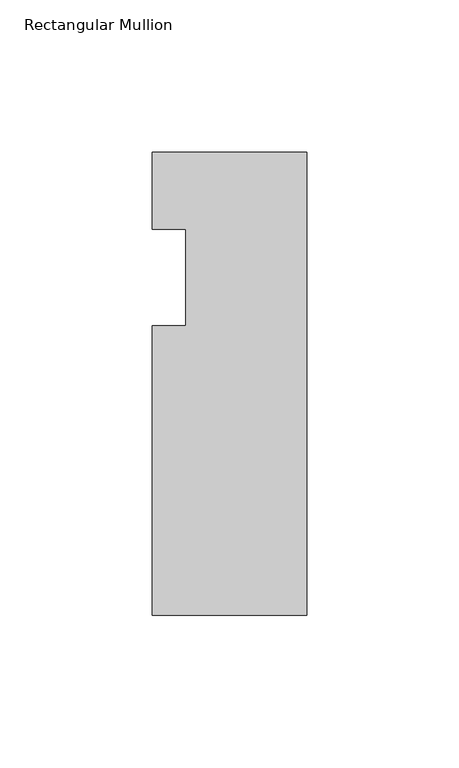
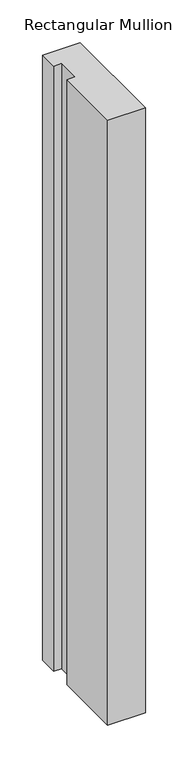
"""IFC4 building model written with IfcOpenShell, lengths in millimetres: member geometry, Rectangular Mullion."""

from ifc_helpers import new_model, si_unit, frame, origin, place, context, project, spatial, polyline, outline, extrude, source, transform, mapped, element, save


def rectangular_mullion_c1352584(model_context):
    return source(origin(), model_context, "Body", "SweptSolid", [
        extrude(outline(polyline([(0.0, 6.35), (0.0, -146.05), (-50.8, -146.05), (-50.8, -50.8000003), (-39.798625, -50.8000003), (-39.798625, -19.05), (-50.8, -19.05), (-50.8, 6.35), (0.0, 6.35)])), frame((0.0, 0.0, -863.6), z_axis=(0.0, 0.0, 1.0), x_axis=(1.0, 0.0, 0.0)), (0.0, 0.0, 1.0), 863.6),
    ])


if __name__ == "__main__":
    model = new_model("IFC4")
    model_context = context("Model", 3, world=origin())
    ifc_project = project(units=[si_unit("LENGTHUNIT", "METRE", prefix="MILLI")], contexts=[model_context])
    site = spatial("IfcSite", under=ifc_project)
    building = spatial("IfcBuilding", under=site)
    placement = place(None, origin())
    rectangular_mullion_shape = rectangular_mullion_c1352584(model_context)
    element("IfcMember", 1, ObjectType="Rectangular Mullion", at=placement, inside=building, context=model_context, shape_type="MappedRepresentation", body=[
        mapped(rectangular_mullion_shape, transform((0.0, 0.0, 0.0), x_axis=(1.0, 0.0, 0.0), y_axis=(0.0, 1.0, 0.0), z_axis=(0.0, 0.0, 1.0))),
    ])
    save(model, "model.ifc")
